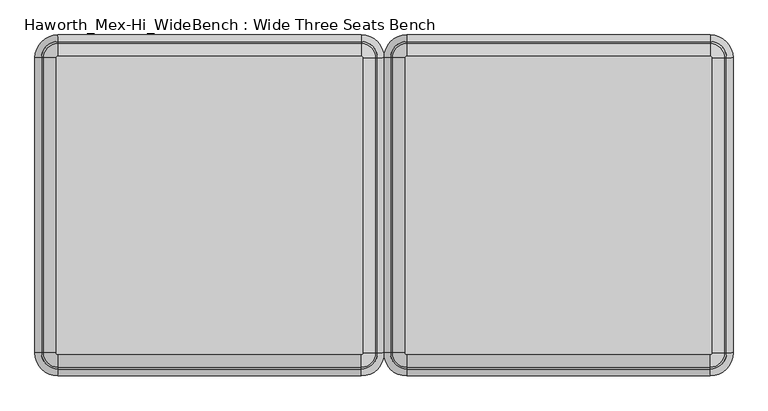
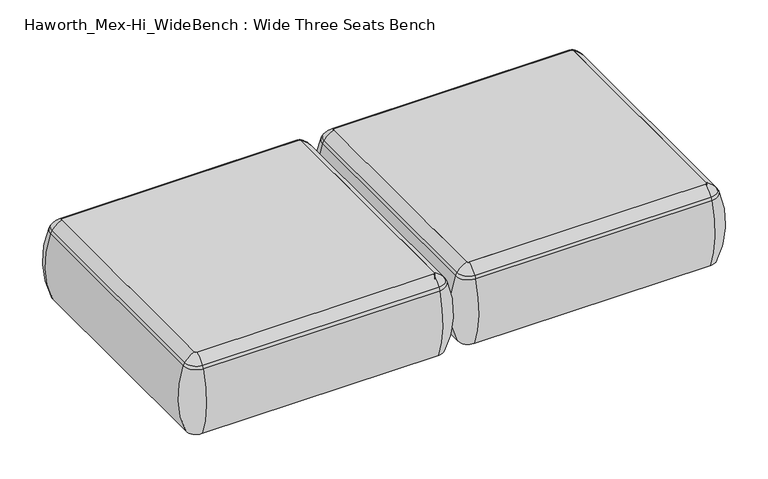
"""IFC4 building model written with IfcOpenShell, lengths in millimetres: furniture geometry, Haworth_Mex-Hi_WideBench : Wide Three Seats Bench."""

import ifcopenshell
import ifcopenshell.guid

model = None  # the IFC model being written
_history = None  # IfcOwnerHistory: only IFC2X3 demands one
_inside = {}  # id of a spatial element -> (the spatial element, [elements in it])
_under = {}  # id of a project, library or spatial element -> (it, [spatial elements below it])
_declared = {}  # id of a project -> (the project, [libraries it declares])
_typed = {}  # id of a type object -> (the type object, [elements of that type])
_made_of = {}  # id of a material, layer set ... -> (it, [elements and type objects made of it])


def new_model(schema):
    """Start an empty IFC model of exactly this schema.

    Asked for "IFC4X3", IfcOpenShell would pick the latest addendum, in which some entities
    have other attributes; the version numbers below select the first issue.
    IFC2X3 requires an IfcOwnerHistory on every rooted entity: one is made here for all.
    """
    global model, _history
    if schema == "IFC4X3":
        model = ifcopenshell.file(schema_version=(4, 3, 0, 0))
    else:
        model = ifcopenshell.file(schema=schema)
    _inside.clear()
    _under.clear()
    _declared.clear()
    _typed.clear()
    _made_of.clear()
    _history = None
    if model.schema == "IFC2X3":
        org = make("IfcOrganization", Name="unknown")
        user = make(
            "IfcPersonAndOrganization",
            ThePerson=make("IfcPerson", FamilyName="unknown"),
            TheOrganization=org,
        )
        app = make(
            "IfcApplication",
            ApplicationDeveloper=org,
            Version="unknown",
            ApplicationFullName="unknown",
            ApplicationIdentifier="unknown",
        )
        _history = make(
            "IfcOwnerHistory",
            OwningUser=user,
            OwningApplication=app,
            ChangeAction="ADDED",
            CreationDate=0,
        )
    return model


def make(cls, **values):
    """One entity of the class cls with the attributes given. An attribute that is None is left unset."""
    return model.create_entity(
        cls, **{name: value for name, value in values.items() if value is not None}
    )


def rooted(cls, **values):
    """An entity with a GlobalId (a new one), such as an element, a storey or a relation."""
    return make(cls, GlobalId=ifcopenshell.guid.new(), OwnerHistory=_history, **values)


def si_unit(unit_type, name, prefix=None):
    """IfcSIUnit, for example si_unit("LENGTHUNIT", "METRE", prefix="MILLI")."""
    return make("IfcSIUnit", UnitType=unit_type, Prefix=prefix, Name=name)


def assignment(units):
    """IfcUnitAssignment: the units of a project."""
    return None if units is None else make("IfcUnitAssignment", Units=units)


def point(xyz):
    """IfcCartesianPoint."""
    return None if xyz is None else make("IfcCartesianPoint", Coordinates=xyz)


def direction(xyz):
    """IfcDirection."""
    return None if xyz is None else make("IfcDirection", DirectionRatios=xyz)


def frame(location, z_axis=None, x_axis=None):
    """IfcAxis2Placement3D, a coordinate frame: its origin and axes. An axis left out is left unset."""
    return make(
        "IfcAxis2Placement3D",
        Location=point(location),
        Axis=direction(z_axis),
        RefDirection=direction(x_axis),
    )


def frame_2d(location, x_axis=None):
    """IfcAxis2Placement2D, a coordinate frame in the plane: its origin and x axis."""
    return make(
        "IfcAxis2Placement2D", Location=point(location), RefDirection=direction(x_axis)
    )


def origin():
    """The frame at (0, 0, 0) with its axes left unset."""
    return frame((0.0, 0.0, 0.0))


def place(relative_to, where):
    """IfcLocalPlacement: puts the frame where relative to a parent placement (None: the world)."""
    return make(
        "IfcLocalPlacement", PlacementRelTo=relative_to, RelativePlacement=where
    )


def context(
    kind, dimensions, precision=None, world=None, true_north=None, identifier=None
):
    """IfcGeometricRepresentationContext, for example the 3D "Model" context."""
    return make(
        "IfcGeometricRepresentationContext",
        ContextIdentifier=identifier,
        ContextType=kind,
        CoordinateSpaceDimension=dimensions,
        Precision=precision,
        WorldCoordinateSystem=world,
        TrueNorth=true_north,
    )


def project(units=None, contexts=None):
    """IfcProject with its units and contexts."""
    return rooted(
        "IfcProject",
        Name="project",
        RepresentationContexts=contexts,
        UnitsInContext=assignment(units),
    )


def spatial(cls, under=None, at=None, **own):
    """A site, building, storey or space (cls), placed at a placement, below another one or the project."""
    s = rooted(cls, ObjectPlacement=at, **own)
    if under is not None:
        _under.setdefault(under.id(), (under, []))[1].append(s)
    return s


def polyline(points):
    """IfcPolyline through the points."""
    return make("IfcPolyline", Points=[point(p) for p in points])


def circle_curve(where, radius):
    """IfcCircle in the frame where."""
    return make("IfcCircle", Position=where, Radius=radius)


def ellipse_curve(where, semi_axis1, semi_axis2):
    """IfcEllipse in the frame where."""
    return make(
        "IfcEllipse", Position=where, SemiAxis1=semi_axis1, SemiAxis2=semi_axis2
    )


def trimmed(basis, trim1, trim2, sense, master):
    """IfcTrimmedCurve: the piece of a basis curve between two trims."""
    return make(
        "IfcTrimmedCurve",
        BasisCurve=basis,
        Trim1=trim1,
        Trim2=trim2,
        SenseAgreement=sense,
        MasterRepresentation=master,
    )


def segment(curve, same_sense, transition):
    """IfcCompositeCurveSegment."""
    return make(
        "IfcCompositeCurveSegment",
        Transition=transition,
        SameSense=same_sense,
        ParentCurve=curve,
    )


def composite_curve(segments, self_intersect=None):
    """IfcCompositeCurve: segments joined end to end."""
    return make("IfcCompositeCurve", Segments=segments, SelfIntersect=self_intersect)


def outline(outer, holes=None, kind="AREA"):
    """IfcArbitraryClosedProfileDef: a profile drawn as a closed curve; with holes, ...WithVoids."""
    if holes is None:
        return make("IfcArbitraryClosedProfileDef", ProfileType=kind, OuterCurve=outer)
    return make(
        "IfcArbitraryProfileDefWithVoids",
        ProfileType=kind,
        OuterCurve=outer,
        InnerCurves=holes,
    )


def extrude(swept, where, along, depth):
    """IfcExtrudedAreaSolid: the profile swept, set in the frame where, extruded along a direction by depth."""
    return make(
        "IfcExtrudedAreaSolid",
        SweptArea=swept,
        Position=where,
        ExtrudedDirection=direction(along),
        Depth=depth,
    )


def shape(context_of_items, identifier, shape_type, items):
    """IfcShapeRepresentation: the items that make up one representation, for example the "Body"."""
    return make(
        "IfcShapeRepresentation",
        ContextOfItems=context_of_items,
        RepresentationIdentifier=identifier,
        RepresentationType=shape_type,
        Items=items,
    )


def source(mapping_origin, context_of_items, identifier, shape_type, items):
    """IfcRepresentationMap: a shape defined once, which mapped items show again and again."""
    return make(
        "IfcRepresentationMap",
        MappingOrigin=mapping_origin,
        MappedRepresentation=shape(context_of_items, identifier, shape_type, items),
    )


def transform(
    local_origin,
    x_axis=None,
    y_axis=None,
    z_axis=None,
    scale=None,
    scale2=None,
    scale3=None,
    uniform=True,
):
    """IfcCartesianTransformationOperator3D, or its non-uniform kind. x_axis, y_axis, z_axis: its Axis1, 2, 3."""
    if uniform:
        return make(
            "IfcCartesianTransformationOperator3D",
            Axis1=direction(x_axis),
            Axis2=direction(y_axis),
            LocalOrigin=point(local_origin),
            Scale=scale,
            Axis3=direction(z_axis),
        )
    return make(
        "IfcCartesianTransformationOperator3DnonUniform",
        Axis1=direction(x_axis),
        Axis2=direction(y_axis),
        LocalOrigin=point(local_origin),
        Scale=scale,
        Axis3=direction(z_axis),
        Scale2=scale2,
        Scale3=scale3,
    )


def mapped(mapping_source, mapping_target):
    """IfcMappedItem: shows the shape of a source again, moved by a transform."""
    return make(
        "IfcMappedItem", MappingSource=mapping_source, MappingTarget=mapping_target
    )


def made_of(thing, what):
    """Note that an element or type object is made of a material, layer set ...; save() writes the relation."""
    if what is not None:
        _made_of.setdefault(what.id(), (what, []))[1].append(thing)
    return thing


def element(
    cls,
    number,
    at=None,
    inside=None,
    cuts=None,
    type_object=None,
    material=None,
    context=None,
    identifier="Body",
    shape_type=None,
    held_by="IfcProductDefinitionShape",
    body=None,
    shapes=None,
    **own,
):
    """One element of the class cls, such as IfcWall. Its Tag is "e" and its number.

    at: its placement. inside: the storey or other place that contains it. cuts: it is an
    opening in that element (IfcRelVoidsElement). A single representation is given by context,
    identifier, shape_type and body (its items); several are given by shapes. held_by: the class
    of the entity that holds the representations. save() writes the other relations.
    """
    e = rooted(cls, Tag="e%d" % number, ObjectPlacement=at, **own)
    if body is not None:
        shapes = [shape(context, identifier, shape_type, body)]
    if shapes is not None:
        e.Representation = make(held_by, Representations=shapes)
    if inside is not None:
        _inside.setdefault(inside.id(), (inside, []))[1].append(e)
    if cuts is not None:
        rooted(
            "IfcRelVoidsElement", RelatingBuildingElement=cuts, RelatedOpeningElement=e
        )
    if type_object is not None:
        _typed.setdefault(type_object.id(), (type_object, []))[1].append(e)
    return made_of(e, material)


def aggregate(whole, parts):
    """IfcRelAggregates: a whole, such as a stair, and the parts it consists of."""
    return rooted("IfcRelAggregates", RelatingObject=whole, RelatedObjects=parts)


def save(model, path):
    """Write the relations noted so far, then the file.

    IfcRelAggregates (storeys below a building ...), IfcRelContainedInSpatialStructure (elements
    in a storey), IfcRelDefinesByType, IfcRelAssociatesMaterial and IfcRelDeclares: one each for
    every whole, place, type object, material and project.
    """
    for whole, parts in _under.values():
        aggregate(whole, parts)
    for where, things in _inside.values():
        rooted(
            "IfcRelContainedInSpatialStructure",
            RelatedElements=things,
            RelatingStructure=where,
        )
    for kind, things in _typed.values():
        rooted("IfcRelDefinesByType", RelatedObjects=things, RelatingType=kind)
    for what, things in _made_of.values():
        rooted("IfcRelAssociatesMaterial", RelatedObjects=things, RelatingMaterial=what)
    for by, libraries in _declared.values():
        rooted("IfcRelDeclares", RelatingContext=by, RelatedDefinitions=libraries)
    model.write(path)


def plane_surface(at):
    """IfcPlane: the flat surface through the origin of the frame at, square to its z axis."""
    return make("IfcPlane", Position=at)


def cylinder_surface(at, radius):
    """IfcCylindricalSurface: all points at the distance radius from the z axis of the frame at."""
    return make("IfcCylindricalSurface", Position=at, Radius=radius)


def revolved_surface(curve, axis_point, axis_direction):
    """IfcSurfaceOfRevolution: the curve turned about the line through axis_point along axis_direction."""
    return make(
        "IfcSurfaceOfRevolution",
        SweptCurve=make("IfcArbitraryOpenProfileDef", ProfileType="CURVE", Curve=curve),
        AxisPosition=make("IfcAxis1Placement", Location=point(axis_point), Axis=direction(axis_direction)),
    )


def advanced_brep(points, edges, surfaces, faces):
    """IfcAdvancedBrep: a solid bounded by faces that lie on surfaces and meet in shared edges.

    An edge is (start, end): straight between two places in points (the first is 0);
    or (start, end, curve); or (start, end, curve, False) where it runs against its curve.
    A face is (place in surfaces, loops), or (place, loops, False) where it looks against
    its surface's normal. A loop lists edges by number (the first is 1), with a minus sign
    where the edge is run from its end to its start. The first loop is the outer one.
    """
    corners = [point(p) for p in points]
    vertices = [make("IfcVertexPoint", VertexGeometry=c) for c in corners]
    made = []
    for start, end, *more in edges:
        made.append(
            make(
                "IfcEdgeCurve",
                EdgeStart=vertices[start],
                EdgeEnd=vertices[end],
                EdgeGeometry=more[0] if more else make("IfcPolyline", Points=[corners[start], corners[end]]),
                SameSense=more[1] if len(more) > 1 else True,
            )
        )
    hull = []
    for where, loops, *sense in faces:
        bounds = []
        for j, loop in enumerate(loops):
            ring = [make("IfcOrientedEdge", EdgeElement=made[abs(k) - 1], Orientation=k > 0) for k in loop]
            bounds.append(
                make(
                    "IfcFaceOuterBound" if j == 0 else "IfcFaceBound",
                    Bound=make("IfcEdgeLoop", EdgeList=ring),
                    Orientation=True,
                )
            )
        hull.append(make("IfcAdvancedFace", Bounds=bounds, FaceSurface=surfaces[where], SameSense=sense[0] if sense else True))
    return make("IfcAdvancedBrep", Outer=make("IfcClosedShell", CfsFaces=hull))


def haworth_mex_hi_widebench_wide_three_seats_bench_50f80e53(model_context):
    return source(origin(), model_context, "Body", "SolidModel", [
        advanced_brep(
        [(-550.6150954, -668.4794123, 390.3914007), (-545.3352882, -673.7592195, 390.3914007), (-545.3352882, -673.7592195, 123.9999984), (-550.6150954, -668.4794123, 123.9999984), (-579.3031396, -668.4794123, 123.9999984), (-545.3352882, -702.4472637, 123.9999984), (-545.3352882, -710.1267287, 353.7769053), (-586.9826046, -668.4794123, 353.7769053), (-550.6150954, 89.8571486, 123.9999984), (-550.6150954, 89.8571486, 390.3914007), (-586.9826046, 89.8571486, 353.7769053), (-579.3031396, 89.8571486, 123.9999984), (-545.3352882, 95.1369558, 390.3914007), (-545.3352882, 95.1369558, 123.9999984), (-545.3352882, 123.825, 123.9999984), (-545.3352882, 131.504465, 353.7769053), (234.4447118, 95.1369558, 123.9999984), (234.4447118, 95.1369558, 390.3914007), (234.4447118, 131.504465, 353.7769053), (234.4447118, 123.825, 123.9999984), (239.7245191, 89.8571486, 390.3914007), (239.7245191, 89.8571486, 123.9999984), (268.4125633, 89.8571486, 123.9999984), (276.0920283, 89.8571486, 353.7769053), (239.7245191, -668.4794123, 123.9999984), (239.7245191, -668.4794123, 390.3914007), (276.0920283, -668.4794123, 353.7769053), (268.4125633, -668.4794123, 123.9999984), (234.4447118, -673.7592195, 390.3914007), (234.4447118, -673.7592195, 123.9999984), (234.4447118, -702.4472637, 123.9999984), (234.4447118, -710.1267287, 353.7769053), (-581.7641447, -668.4794123, 363.6402875), (-545.3352882, -704.9082688, 363.6402875), (-581.7641447, 89.8571486, 363.6402875), (-545.3352882, 126.2860051, 363.6402875), (234.4447118, 126.2860051, 363.6402875), (270.8735684, 89.8571486, 363.6402875), (270.8735684, -668.4794123, 363.6402875), (234.4447118, -704.9082688, 363.6402875)],
        [
            (0, 1, circle_curve(frame((-545.3352882, -668.4794123, 390.3914007), z_axis=(0.0, 0.0, 1.0), x_axis=(0.0, -1.0, 0.0)), 5.2798073)),
            (1, 2),
            (2, 3, circle_curve(frame((-545.3352882, -668.4794123, 123.9999984), z_axis=(0.0, 0.0, -1.0), x_axis=(0.0, -1.0, 0.0)), 5.2798073)),
            (3, 0),
            (4, 5, circle_curve(frame((-545.3352882, -668.4794123, 123.9999984), z_axis=(0.0, 0.0, 1.0), x_axis=(0.0, -1.0, 0.0)), 33.9678514)),
            (5, 6, circle_curve(frame((-545.3352882, -406.0729797, 248.9220234), z_axis=(-1.0, 0.0, 0.0), x_axis=(0.0, -1.0, 0.0)), 321.625914)),
            (6, 7, circle_curve(frame((-545.3352882, -668.4794123, 353.7769053), z_axis=(0.0, 0.0, -1.0), x_axis=(0.0, -1.0, 0.0)), 41.6473165)),
            (7, 4, circle_curve(frame((-282.9288556, -668.4794123, 248.9220234), z_axis=(0.0, -1.0, 0.0), x_axis=(-1.0, 0.0, 0.0)), 321.625914)),
            (3, 8),
            (8, 9),
            (9, 0),
            (7, 10),
            (10, 11, circle_curve(frame((-282.9288556, 89.8571486, 248.9220234), z_axis=(0.0, -1.0, 0.0), x_axis=(-1.0, 0.0, 0.0)), 321.625914)),
            (11, 4),
            (12, 9, circle_curve(frame((-545.3352882, 89.8571486, 390.3914007), z_axis=(0.0, 0.0, 1.0), x_axis=(-1.0, 0.0, 0.0)), 5.2798073)),
            (8, 13, circle_curve(frame((-545.3352882, 89.8571486, 123.9999984), z_axis=(0.0, 0.0, -1.0), x_axis=(-1.0, 0.0, 0.0)), 5.2798073)),
            (13, 12),
            (14, 11, circle_curve(frame((-545.3352882, 89.8571486, 123.9999984), z_axis=(0.0, 0.0, 1.0), x_axis=(-1.0, 0.0, 0.0)), 33.9678514)),
            (10, 15, circle_curve(frame((-545.3352882, 89.8571486, 353.7769053), z_axis=(0.0, 0.0, -1.0), x_axis=(-1.0, 0.0, 0.0)), 41.6473165)),
            (15, 14, circle_curve(frame((-545.3352882, -172.549284, 248.9220234), z_axis=(-1.0, 0.0, 0.0), x_axis=(0.0, 1.0, 0.0)), 321.625914)),
            (13, 16),
            (16, 17),
            (17, 12),
            (15, 18),
            (18, 19, circle_curve(frame((234.4447118, -172.549284, 248.9220234), z_axis=(-1.0, 0.0, 0.0), x_axis=(0.0, 1.0, 0.0)), 321.625914)),
            (19, 14),
            (20, 17, circle_curve(frame((234.4447118, 89.8571486, 390.3914007), z_axis=(0.0, 0.0, 1.0), x_axis=(0.0, 1.0, 0.0)), 5.2798073)),
            (16, 21, circle_curve(frame((234.4447118, 89.8571486, 123.9999984), z_axis=(0.0, 0.0, -1.0), x_axis=(0.0, 1.0, 0.0)), 5.2798073)),
            (21, 20),
            (22, 19, circle_curve(frame((234.4447118, 89.8571486, 123.9999984), z_axis=(0.0, 0.0, 1.0), x_axis=(0.0, 1.0, 0.0)), 33.9678514)),
            (18, 23, circle_curve(frame((234.4447118, 89.8571486, 353.7769053), z_axis=(0.0, 0.0, -1.0), x_axis=(0.0, 1.0, 0.0)), 41.6473165)),
            (23, 22, circle_curve(frame((-27.9617207, 89.8571486, 248.9220234), z_axis=(0.0, 1.0, 0.0), x_axis=(1.0, 0.0, 0.0)), 321.625914)),
            (21, 24),
            (24, 25),
            (25, 20),
            (23, 26),
            (26, 27, circle_curve(frame((-27.9617207, -668.4794123, 248.9220234), z_axis=(0.0, 1.0, 0.0), x_axis=(1.0, 0.0, 0.0)), 321.625914)),
            (27, 22),
            (28, 25, circle_curve(frame((234.4447118, -668.4794123, 390.3914007), z_axis=(0.0, 0.0, 1.0), x_axis=(1.0, 0.0, 0.0)), 5.2798073)),
            (24, 29, circle_curve(frame((234.4447118, -668.4794123, 123.9999984), z_axis=(0.0, 0.0, -1.0), x_axis=(1.0, 0.0, 0.0)), 5.2798073)),
            (29, 28),
            (30, 27, circle_curve(frame((234.4447118, -668.4794123, 123.9999984), z_axis=(0.0, 0.0, 1.0), x_axis=(1.0, 0.0, 0.0)), 33.9678514)),
            (26, 31, circle_curve(frame((234.4447118, -668.4794123, 353.7769053), z_axis=(0.0, 0.0, -1.0), x_axis=(1.0, 0.0, 0.0)), 41.6473165)),
            (31, 30, circle_curve(frame((234.4447118, -406.0729797, 248.9220234), z_axis=(1.0, 0.0, 0.0), x_axis=(0.0, -1.0, 0.0)), 321.625914)),
            (30, 5),
            (2, 29),
            (1, 28),
            (31, 6),
            (32, 33, circle_curve(frame((-545.3352882, -668.4794123, 363.6402875), z_axis=(0.0, 0.0, 1.0), x_axis=(0.0, -1.0, 0.0)), 36.4288566)),
            (33, 1, circle_curve(frame((-545.3352882, -629.5266, 307.3762868), z_axis=(-1.0, 0.0, 0.0), x_axis=(0.0, -1.0, 0.0)), 94.0639876)),
            (0, 32, circle_curve(frame((-506.3824759, -668.4794123, 307.3762868), z_axis=(0.0, -1.0, 0.0), x_axis=(-1.0, 0.0, 0.0)), 94.0639876)),
            (6, 33, circle_curve(frame((-545.3352882, -675.8620096, 341.9604975), z_axis=(-1.0, 0.0, 0.0), x_axis=(0.0, -1.0, 0.0)), 36.2449785)),
            (32, 7, circle_curve(frame((-552.7178855, -668.4794123, 341.9604975), z_axis=(0.0, -1.0, 0.0), x_axis=(-1.0, 0.0, 0.0)), 36.2449785)),
            (9, 34, circle_curve(frame((-506.3824759, 89.8571486, 307.3762868), z_axis=(0.0, -1.0, 0.0), x_axis=(-1.0, 0.0, 0.0)), 94.0639876)),
            (34, 32),
            (34, 10, circle_curve(frame((-552.7178855, 89.8571486, 341.9604975), z_axis=(0.0, -1.0, 0.0), x_axis=(-1.0, 0.0, 0.0)), 36.2449785)),
            (35, 34, circle_curve(frame((-545.3352882, 89.8571486, 363.6402875), z_axis=(0.0, 0.0, 1.0), x_axis=(-1.0, 0.0, 0.0)), 36.4288566)),
            (12, 35, circle_curve(frame((-545.3352882, 50.9043363, 307.3762868), z_axis=(-1.0, 0.0, 0.0), x_axis=(0.0, 1.0, 0.0)), 94.0639876)),
            (35, 15, circle_curve(frame((-545.3352882, 97.2397459, 341.9604975), z_axis=(-1.0, 0.0, 0.0), x_axis=(0.0, 1.0, 0.0)), 36.2449785)),
            (17, 36, circle_curve(frame((234.4447118, 50.9043363, 307.3762868), z_axis=(-1.0, 0.0, 0.0), x_axis=(0.0, 1.0, 0.0)), 94.0639876)),
            (36, 35),
            (36, 18, circle_curve(frame((234.4447118, 97.2397459, 341.9604975), z_axis=(-1.0, 0.0, 0.0), x_axis=(0.0, 1.0, 0.0)), 36.2449785)),
            (37, 36, circle_curve(frame((234.4447118, 89.8571486, 363.6402875), z_axis=(0.0, 0.0, 1.0), x_axis=(0.0, 1.0, 0.0)), 36.4288566)),
            (20, 37, circle_curve(frame((195.4918996, 89.8571486, 307.3762868), z_axis=(0.0, 1.0, 0.0), x_axis=(1.0, 0.0, 0.0)), 94.0639876)),
            (37, 23, circle_curve(frame((241.8273092, 89.8571486, 341.9604975), z_axis=(0.0, 1.0, 0.0), x_axis=(1.0, 0.0, 0.0)), 36.2449785)),
            (25, 38, circle_curve(frame((195.4918996, -668.4794123, 307.3762868), z_axis=(0.0, 1.0, 0.0), x_axis=(1.0, 0.0, 0.0)), 94.0639876)),
            (38, 37),
            (38, 26, circle_curve(frame((241.8273092, -668.4794123, 341.9604975), z_axis=(0.0, 1.0, 0.0), x_axis=(1.0, 0.0, 0.0)), 36.2449785)),
            (39, 38, circle_curve(frame((234.4447118, -668.4794123, 363.6402875), z_axis=(0.0, 0.0, 1.0), x_axis=(1.0, 0.0, 0.0)), 36.4288566)),
            (28, 39, circle_curve(frame((234.4447118, -629.5266, 307.3762868), z_axis=(1.0, 0.0, 0.0), x_axis=(0.0, -1.0, 0.0)), 94.0639876)),
            (39, 31, circle_curve(frame((234.4447118, -675.8620096, 341.9604975), z_axis=(1.0, 0.0, 0.0), x_axis=(0.0, -1.0, 0.0)), 36.2449785)),
            (33, 39),
        ],
        [
            revolved_surface(polyline([(-545.3352882, -673.7592196, 123.9999984), (-545.3352882, -673.7592196, 390.3914007)]), (-545.3352882, -668.4794123, 0.0), (0.0, 0.0, -1.0)),
            revolved_surface(trimmed(ellipse_curve(frame((-545.3352882, -406.0729797, 248.9220234), z_axis=(1.0, 0.0, 0.0), x_axis=(0.0, -1.0, 0.0)), 321.625914, 321.625914), [point((-545.3352882, -710.1267287, 353.7769053))], [point((-545.3352882, -702.4472637, 123.9999984))], True, "CARTESIAN"), (-545.3352882, -668.4794123, 0.0), (0.0, 0.0, -1.0)),
            plane_surface(frame((-550.6150954, -668.4794123, 123.9999984), z_axis=(1.0, 0.0, 0.0), x_axis=(0.0, 1.0, 0.0))),
            cylinder_surface(frame((-282.9288556, -668.4794123, 248.9220234), z_axis=(0.0, -1.0, 0.0), x_axis=(-1.0, 0.0, 0.0)), 321.625914),
            revolved_surface(polyline([(-550.6150955, 89.8571486, 123.9999984), (-550.6150955, 89.8571486, 390.3914007)]), (-545.3352882, 89.8571486, 0.0), (0.0, 0.0, -1.0)),
            revolved_surface(trimmed(ellipse_curve(frame((-282.9288556, 89.8571486, 248.9220234), z_axis=(0.0, -1.0, 0.0), x_axis=(-1.0, 0.0, 0.0)), 321.625914, 321.625914), [point((-586.9826046, 89.8571486, 353.7769053))], [point((-579.3031396, 89.8571486, 123.9999984))], True, "CARTESIAN"), (-545.3352882, 89.8571486, 0.0), (0.0, 0.0, -1.0)),
            plane_surface(frame((-545.3352882, 95.1369558, 123.9999984), z_axis=(0.0, -1.0, 0.0), x_axis=(1.0, 0.0, 0.0))),
            cylinder_surface(frame((-545.3352882, -172.549284, 248.9220234), z_axis=(-1.0, 0.0, 0.0), x_axis=(0.0, 1.0, 0.0)), 321.625914),
            revolved_surface(polyline([(234.4447118, 95.1369559, 123.9999984), (234.4447118, 95.1369559, 390.3914007)]), (234.4447118, 89.8571486, 0.0), (0.0, 0.0, -1.0)),
            revolved_surface(trimmed(ellipse_curve(frame((234.4447118, -172.549284, 248.9220234), z_axis=(-1.0, 0.0, 0.0), x_axis=(0.0, 1.0, 0.0)), 321.625914, 321.625914), [point((234.4447118, 131.504465, 353.7769053))], [point((234.4447118, 123.825, 123.9999984))], True, "CARTESIAN"), (234.4447118, 89.8571486, 0.0), (0.0, 0.0, -1.0)),
            plane_surface(frame((239.7245191, 89.8571486, 123.9999984), z_axis=(-1.0, 0.0, 0.0), x_axis=(0.0, -1.0, 0.0))),
            cylinder_surface(frame((-27.9617207, 89.8571486, 248.9220234), z_axis=(0.0, 1.0, 0.0), x_axis=(1.0, 0.0, 0.0)), 321.625914),
            revolved_surface(polyline([(239.72451909999998, -668.4794123, 123.9999984), (239.72451909999998, -668.4794123, 390.3914007)]), (234.4447118, -668.4794123, 0.0), (0.0, 0.0, -1.0)),
            revolved_surface(trimmed(ellipse_curve(frame((-27.9617207, -668.4794123, 248.9220234), z_axis=(0.0, 1.0, 0.0), x_axis=(1.0, 0.0, 0.0)), 321.625914, 321.625914), [point((276.0920283, -668.4794123, 353.7769053))], [point((268.4125633, -668.4794123, 123.9999984))], True, "CARTESIAN"), (234.4447118, -668.4794123, 0.0), (0.0, 0.0, -1.0)),
            plane_surface(frame((234.4447118, -702.4472637, 123.9999984), z_axis=(0.0, 0.0, -1.0), x_axis=(-1.0, 0.0, 0.0))),
            plane_surface(frame((234.4447118, -673.7592195, 123.9999984), z_axis=(0.0, 1.0, 0.0), x_axis=(-1.0, 0.0, 0.0))),
            cylinder_surface(frame((234.4447118, -406.0729797, 248.9220234), z_axis=(1.0, 0.0, 0.0), x_axis=(0.0, -1.0, 0.0)), 321.625914),
            revolved_surface(trimmed(ellipse_curve(frame((-545.3352882, -629.5266, 307.3762868), z_axis=(1.0, 0.0, 0.0), x_axis=(0.0, -1.0, 0.0)), 94.0639876, 94.0639876), [point((-545.3352882, -673.7592195, 390.3914007))], [point((-545.3352882, -704.9082688, 363.6402875))], True, "CARTESIAN"), (-545.3352882, -668.4794123, 0.0), (0.0, 0.0, -1.0)),
            revolved_surface(trimmed(ellipse_curve(frame((-545.3352882, -675.8620096, 341.9604975), z_axis=(1.0, 0.0, 0.0), x_axis=(0.0, -1.0, 0.0)), 36.2449785, 36.2449785), [point((-545.3352882, -704.9082688, 363.6402875))], [point((-545.3352882, -710.1267287, 353.7769053))], True, "CARTESIAN"), (-545.3352882, -668.4794123, 0.0), (0.0, 0.0, -1.0)),
            cylinder_surface(frame((-506.3824759, -668.4794123, 307.3762868), z_axis=(0.0, -1.0, 0.0), x_axis=(-1.0, 0.0, 0.0)), 94.0639876),
            cylinder_surface(frame((-552.7178855, -668.4794123, 341.9604975), z_axis=(0.0, -1.0, 0.0), x_axis=(-1.0, 0.0, 0.0)), 36.2449785),
            revolved_surface(trimmed(ellipse_curve(frame((-506.3824759, 89.8571486, 307.3762868), z_axis=(0.0, -1.0, 0.0), x_axis=(-1.0, 0.0, 0.0)), 94.0639876, 94.0639876), [point((-550.6150954, 89.8571486, 390.3914007))], [point((-581.7641447, 89.8571486, 363.6402875))], True, "CARTESIAN"), (-545.3352882, 89.8571486, 0.0), (0.0, 0.0, -1.0)),
            revolved_surface(trimmed(ellipse_curve(frame((-552.7178855, 89.8571486, 341.9604975), z_axis=(0.0, -1.0, 0.0), x_axis=(-1.0, 0.0, 0.0)), 36.2449785, 36.2449785), [point((-581.7641447, 89.8571486, 363.6402875))], [point((-586.9826046, 89.8571486, 353.7769053))], True, "CARTESIAN"), (-545.3352882, 89.8571486, 0.0), (0.0, 0.0, -1.0)),
            cylinder_surface(frame((-545.3352882, 50.9043363, 307.3762868), z_axis=(-1.0, 0.0, 0.0), x_axis=(0.0, 1.0, 0.0)), 94.0639876),
            cylinder_surface(frame((-545.3352882, 97.2397459, 341.9604975), z_axis=(-1.0, 0.0, 0.0), x_axis=(0.0, 1.0, 0.0)), 36.2449785),
            revolved_surface(trimmed(ellipse_curve(frame((234.4447118, 50.9043363, 307.3762868), z_axis=(-1.0, 0.0, 0.0), x_axis=(0.0, 1.0, 0.0)), 94.0639876, 94.0639876), [point((234.4447118, 95.1369558, 390.3914007))], [point((234.4447118, 126.2860051, 363.6402875))], True, "CARTESIAN"), (234.4447118, 89.8571486, 0.0), (0.0, 0.0, -1.0)),
            revolved_surface(trimmed(ellipse_curve(frame((234.4447118, 97.2397459, 341.9604975), z_axis=(-1.0, 0.0, 0.0), x_axis=(0.0, 1.0, 0.0)), 36.2449785, 36.2449785), [point((234.4447118, 126.2860051, 363.6402875))], [point((234.4447118, 131.504465, 353.7769053))], True, "CARTESIAN"), (234.4447118, 89.8571486, 0.0), (0.0, 0.0, -1.0)),
            cylinder_surface(frame((195.4918996, 89.8571486, 307.3762868), z_axis=(0.0, 1.0, 0.0), x_axis=(1.0, 0.0, 0.0)), 94.0639876),
            cylinder_surface(frame((241.8273092, 89.8571486, 341.9604975), z_axis=(0.0, 1.0, 0.0), x_axis=(1.0, 0.0, 0.0)), 36.2449785),
            revolved_surface(trimmed(ellipse_curve(frame((195.4918996, -668.4794123, 307.3762868), z_axis=(0.0, 1.0, 0.0), x_axis=(1.0, 0.0, 0.0)), 94.0639876, 94.0639876), [point((239.7245191, -668.4794123, 390.3914007))], [point((270.8735684, -668.4794123, 363.6402875))], True, "CARTESIAN"), (234.4447118, -668.4794123, 0.0), (0.0, 0.0, -1.0)),
            revolved_surface(trimmed(ellipse_curve(frame((241.8273092, -668.4794123, 341.9604975), z_axis=(0.0, 1.0, 0.0), x_axis=(1.0, 0.0, 0.0)), 36.2449785, 36.2449785), [point((270.8735684, -668.4794123, 363.6402875))], [point((276.0920283, -668.4794123, 353.7769053))], True, "CARTESIAN"), (234.4447118, -668.4794123, 0.0), (0.0, 0.0, -1.0)),
            cylinder_surface(frame((234.4447118, -629.5266, 307.3762868), z_axis=(1.0, 0.0, 0.0), x_axis=(0.0, -1.0, 0.0)), 94.0639876),
            cylinder_surface(frame((234.4447118, -675.8620096, 341.9604975), z_axis=(1.0, 0.0, 0.0), x_axis=(0.0, -1.0, 0.0)), 36.2449785),
        ],
        [
            (0, [[1, 2, 3, 4]]),
            (1, [[5, 6, 7, 8]]),
            (2, [[-4, 9, 10, 11]]),
            (3, [[-8, 12, 13, 14]]),
            (4, [[15, -10, 16, 17]]),
            (5, [[18, -13, 19, 20]]),
            (6, [[-17, 21, 22, 23]]),
            (7, [[-20, 24, 25, 26]]),
            (8, [[27, -22, 28, 29]]),
            (9, [[30, -25, 31, 32]]),
            (10, [[-29, 33, 34, 35]]),
            (11, [[-32, 36, 37, 38]]),
            (12, [[39, -34, 40, 41]]),
            (13, [[42, -37, 43, 44]]),
            (14, [[-38, -42, 45, -5, -14, -18, -26, -30], [46, -40, -33, -28, -21, -16, -9, -3]]),
            (15, [[-41, -46, -2, 47]]),
            (16, [[-44, 48, -6, -45]]),
            (17, [[49, 50, -1, 51]]),
            (18, [[-7, 52, -49, 53]]),
            (19, [[-51, -11, 54, 55]]),
            (20, [[-53, -55, 56, -12]]),
            (21, [[57, -54, -15, 58]]),
            (22, [[-19, -56, -57, 59]]),
            (23, [[-58, -23, 60, 61]]),
            (24, [[-59, -61, 62, -24]]),
            (25, [[63, -60, -27, 64]]),
            (26, [[-31, -62, -63, 65]]),
            (27, [[-64, -35, 66, 67]]),
            (28, [[-65, -67, 68, -36]]),
            (29, [[69, -66, -39, 70]]),
            (30, [[-43, -68, -69, 71]]),
            (31, [[-70, -47, -50, 72]]),
            (32, [[-71, -72, -52, -48]]),
        ],
    ),
        extrude(outline(composite_curve([segment(trimmed(circle_curve(frame_2d((234.4447118, -668.4794123)), 5.2798073), [point((239.7245191, -668.4794123))], [point((234.4447118, -673.7592195))], False, "CARTESIAN"), True, "CONTINUOUS"), segment(polyline([(234.4447118, -673.7592195), (-545.3352882, -673.7592195)]), True, "CONTINUOUS"), segment(trimmed(circle_curve(frame_2d((-545.3352882, -668.4794123)), 5.2798073), [point((-545.3352882, -673.7592195))], [point((-550.6150954, -668.4794123))], False, "CARTESIAN"), True, "CONTINUOUS"), segment(polyline([(-550.6150954, -668.4794123), (-550.6150954, 89.8571486)]), True, "CONTINUOUS"), segment(trimmed(circle_curve(frame_2d((-545.3352882, 89.8571486)), 5.2798073), [point((-550.6150954, 89.8571486))], [point((-545.3352882, 95.1369558))], False, "CARTESIAN"), True, "CONTINUOUS"), segment(polyline([(-545.3352882, 95.1369558), (234.4447118, 95.1369558)]), True, "CONTINUOUS"), segment(trimmed(circle_curve(frame_2d((234.4447118, 89.8571486)), 5.2798073), [point((234.4447118, 95.1369558))], [point((239.7245191, 89.8571486))], False, "CARTESIAN"), True, "CONTINUOUS"), segment(polyline([(239.7245191, 89.8571486), (239.7245191, -668.4794123)]), True, "CONTINUOUS")], self_intersect=False)), frame((0.0, 0.0, 123.9999984), z_axis=(0.0, 0.0, 1.0), x_axis=(1.0, 0.0, 0.0)), (0.0, 0.0, 1.0), 266.3914023),
        advanced_brep(
        [(346.0148265, -668.4794123, 390.3914007), (351.2946337, -673.7592195, 390.3914007), (351.2946337, -673.7592195, 123.9999984), (346.0148265, -668.4794123, 123.9999984), (317.3267823, -668.4794123, 123.9999984), (351.2946337, -702.4472637, 123.9999984), (351.2946337, -710.1267287, 353.7769053), (309.6473173, -668.4794123, 353.7769053), (346.0148265, 89.8571486, 123.9999984), (346.0148265, 89.8571486, 390.3914007), (309.6473173, 89.8571486, 353.7769053), (317.3267823, 89.8571486, 123.9999984), (351.2946337, 95.1369558, 390.3914007), (351.2946337, 95.1369558, 123.9999984), (351.2946337, 123.825, 123.9999984), (351.2946337, 131.504465, 353.7769053), (1131.0746337, 95.1369558, 123.9999984), (1131.0746337, 95.1369558, 390.3914007), (1131.0746337, 131.504465, 353.7769053), (1131.0746337, 123.825, 123.9999984), (1136.354441, 89.8571486, 390.3914007), (1136.354441, 89.8571486, 123.9999984), (1165.0424852, 89.8571486, 123.9999984), (1172.7219502, 89.8571486, 353.7769053), (1136.354441, -668.4794123, 123.9999984), (1136.354441, -668.4794123, 390.3914007), (1172.7219502, -668.4794123, 353.7769053), (1165.0424852, -668.4794123, 123.9999984), (1131.0746337, -673.7592195, 390.3914007), (1131.0746337, -673.7592195, 123.9999984), (1131.0746337, -702.4472637, 123.9999984), (1131.0746337, -710.1267287, 353.7769053), (314.8657772, -668.4794123, 363.6402875), (351.2946337, -704.9082688, 363.6402875), (314.8657772, 89.8571486, 363.6402875), (351.2946337, 126.2860051, 363.6402875), (1131.0746337, 126.2860051, 363.6402875), (1167.5034903, 89.8571486, 363.6402875), (1167.5034903, -668.4794123, 363.6402875), (1131.0746337, -704.9082688, 363.6402875)],
        [
            (0, 1, circle_curve(frame((351.2946337, -668.4794123, 390.3914007), z_axis=(0.0, 0.0, 1.0), x_axis=(0.0, -1.0, 0.0)), 5.2798073)),
            (1, 2),
            (2, 3, circle_curve(frame((351.2946337, -668.4794123, 123.9999984), z_axis=(0.0, 0.0, -1.0), x_axis=(0.0, -1.0, 0.0)), 5.2798073)),
            (3, 0),
            (4, 5, circle_curve(frame((351.2946337, -668.4794123, 123.9999984), z_axis=(0.0, 0.0, 1.0), x_axis=(0.0, -1.0, 0.0)), 33.9678514)),
            (5, 6, circle_curve(frame((351.2946337, -406.0729797, 248.9220234), z_axis=(-1.0, 0.0, 0.0), x_axis=(0.0, -1.0, 0.0)), 321.625914)),
            (6, 7, circle_curve(frame((351.2946337, -668.4794123, 353.7769053), z_axis=(0.0, 0.0, -1.0), x_axis=(0.0, -1.0, 0.0)), 41.6473165)),
            (7, 4, circle_curve(frame((613.7010663, -668.4794123, 248.9220234), z_axis=(0.0, -1.0, 0.0), x_axis=(-1.0, 0.0, 0.0)), 321.625914)),
            (3, 8),
            (8, 9),
            (9, 0),
            (7, 10),
            (10, 11, circle_curve(frame((613.7010663, 89.8571486, 248.9220234), z_axis=(0.0, -1.0, 0.0), x_axis=(-1.0, 0.0, 0.0)), 321.625914)),
            (11, 4),
            (12, 9, circle_curve(frame((351.2946337, 89.8571486, 390.3914007), z_axis=(0.0, 0.0, 1.0), x_axis=(-1.0, 0.0, 0.0)), 5.2798073)),
            (8, 13, circle_curve(frame((351.2946337, 89.8571486, 123.9999984), z_axis=(0.0, 0.0, -1.0), x_axis=(-1.0, 0.0, 0.0)), 5.2798073)),
            (13, 12),
            (14, 11, circle_curve(frame((351.2946337, 89.8571486, 123.9999984), z_axis=(0.0, 0.0, 1.0), x_axis=(-1.0, 0.0, 0.0)), 33.9678514)),
            (10, 15, circle_curve(frame((351.2946337, 89.8571486, 353.7769053), z_axis=(0.0, 0.0, -1.0), x_axis=(-1.0, 0.0, 0.0)), 41.6473165)),
            (15, 14, circle_curve(frame((351.2946337, -172.549284, 248.9220234), z_axis=(-1.0, 0.0, 0.0), x_axis=(0.0, 1.0, 0.0)), 321.625914)),
            (13, 16),
            (16, 17),
            (17, 12),
            (15, 18),
            (18, 19, circle_curve(frame((1131.0746337, -172.549284, 248.9220234), z_axis=(-1.0, 0.0, 0.0), x_axis=(0.0, 1.0, 0.0)), 321.625914)),
            (19, 14),
            (20, 17, circle_curve(frame((1131.0746337, 89.8571486, 390.3914007), z_axis=(0.0, 0.0, 1.0), x_axis=(0.0, 1.0, 0.0)), 5.2798073)),
            (16, 21, circle_curve(frame((1131.0746337, 89.8571486, 123.9999984), z_axis=(0.0, 0.0, -1.0), x_axis=(0.0, 1.0, 0.0)), 5.2798073)),
            (21, 20),
            (22, 19, circle_curve(frame((1131.0746337, 89.8571486, 123.9999984), z_axis=(0.0, 0.0, 1.0), x_axis=(0.0, 1.0, 0.0)), 33.9678514)),
            (18, 23, circle_curve(frame((1131.0746337, 89.8571486, 353.7769053), z_axis=(0.0, 0.0, -1.0), x_axis=(0.0, 1.0, 0.0)), 41.6473165)),
            (23, 22, circle_curve(frame((868.6682012, 89.8571486, 248.9220234), z_axis=(0.0, 1.0, 0.0), x_axis=(1.0, 0.0, 0.0)), 321.625914)),
            (21, 24),
            (24, 25),
            (25, 20),
            (23, 26),
            (26, 27, circle_curve(frame((868.6682012, -668.4794123, 248.9220234), z_axis=(0.0, 1.0, 0.0), x_axis=(1.0, 0.0, 0.0)), 321.625914)),
            (27, 22),
            (28, 25, circle_curve(frame((1131.0746337, -668.4794123, 390.3914007), z_axis=(0.0, 0.0, 1.0), x_axis=(1.0, 0.0, 0.0)), 5.2798073)),
            (24, 29, circle_curve(frame((1131.0746337, -668.4794123, 123.9999984), z_axis=(0.0, 0.0, -1.0), x_axis=(1.0, 0.0, 0.0)), 5.2798073)),
            (29, 28),
            (30, 27, circle_curve(frame((1131.0746337, -668.4794123, 123.9999984), z_axis=(0.0, 0.0, 1.0), x_axis=(1.0, 0.0, 0.0)), 33.9678514)),
            (26, 31, circle_curve(frame((1131.0746337, -668.4794123, 353.7769053), z_axis=(0.0, 0.0, -1.0), x_axis=(1.0, 0.0, 0.0)), 41.6473165)),
            (31, 30, circle_curve(frame((1131.0746337, -406.0729797, 248.9220234), z_axis=(1.0, 0.0, 0.0), x_axis=(0.0, -1.0, 0.0)), 321.625914)),
            (30, 5),
            (2, 29),
            (1, 28),
            (31, 6),
            (32, 33, circle_curve(frame((351.2946337, -668.4794123, 363.6402875), z_axis=(0.0, 0.0, 1.0), x_axis=(0.0, -1.0, 0.0)), 36.4288566)),
            (33, 1, circle_curve(frame((351.2946337, -629.5266, 307.3762868), z_axis=(-1.0, 0.0, 0.0), x_axis=(0.0, -1.0, 0.0)), 94.0639876)),
            (0, 32, circle_curve(frame((390.247446, -668.4794123, 307.3762868), z_axis=(0.0, -1.0, 0.0), x_axis=(-1.0, 0.0, 0.0)), 94.0639876)),
            (6, 33, circle_curve(frame((351.2946337, -675.8620096, 341.9604975), z_axis=(-1.0, 0.0, 0.0), x_axis=(0.0, -1.0, 0.0)), 36.2449785)),
            (32, 7, circle_curve(frame((343.9120363, -668.4794123, 341.9604975), z_axis=(0.0, -1.0, 0.0), x_axis=(-1.0, 0.0, 0.0)), 36.2449785)),
            (9, 34, circle_curve(frame((390.247446, 89.8571486, 307.3762868), z_axis=(0.0, -1.0, 0.0), x_axis=(-1.0, 0.0, 0.0)), 94.0639876)),
            (34, 32),
            (34, 10, circle_curve(frame((343.9120363, 89.8571486, 341.9604975), z_axis=(0.0, -1.0, 0.0), x_axis=(-1.0, 0.0, 0.0)), 36.2449785)),
            (35, 34, circle_curve(frame((351.2946337, 89.8571486, 363.6402875), z_axis=(0.0, 0.0, 1.0), x_axis=(-1.0, 0.0, 0.0)), 36.4288566)),
            (12, 35, circle_curve(frame((351.2946337, 50.9043363, 307.3762868), z_axis=(-1.0, 0.0, 0.0), x_axis=(0.0, 1.0, 0.0)), 94.0639876)),
            (35, 15, circle_curve(frame((351.2946337, 97.2397459, 341.9604975), z_axis=(-1.0, 0.0, 0.0), x_axis=(0.0, 1.0, 0.0)), 36.2449785)),
            (17, 36, circle_curve(frame((1131.0746337, 50.9043363, 307.3762868), z_axis=(-1.0, 0.0, 0.0), x_axis=(0.0, 1.0, 0.0)), 94.0639876)),
            (36, 35),
            (36, 18, circle_curve(frame((1131.0746337, 97.2397459, 341.9604975), z_axis=(-1.0, 0.0, 0.0), x_axis=(0.0, 1.0, 0.0)), 36.2449785)),
            (37, 36, circle_curve(frame((1131.0746337, 89.8571486, 363.6402875), z_axis=(0.0, 0.0, 1.0), x_axis=(0.0, 1.0, 0.0)), 36.4288566)),
            (20, 37, circle_curve(frame((1092.1218215, 89.8571486, 307.3762868), z_axis=(0.0, 1.0, 0.0), x_axis=(1.0, 0.0, 0.0)), 94.0639876)),
            (37, 23, circle_curve(frame((1138.4572311, 89.8571486, 341.9604975), z_axis=(0.0, 1.0, 0.0), x_axis=(1.0, 0.0, 0.0)), 36.2449785)),
            (25, 38, circle_curve(frame((1092.1218215, -668.4794123, 307.3762868), z_axis=(0.0, 1.0, 0.0), x_axis=(1.0, 0.0, 0.0)), 94.0639876)),
            (38, 37),
            (38, 26, circle_curve(frame((1138.4572311, -668.4794123, 341.9604975), z_axis=(0.0, 1.0, 0.0), x_axis=(1.0, 0.0, 0.0)), 36.2449785)),
            (39, 38, circle_curve(frame((1131.0746337, -668.4794123, 363.6402875), z_axis=(0.0, 0.0, 1.0), x_axis=(1.0, 0.0, 0.0)), 36.4288566)),
            (28, 39, circle_curve(frame((1131.0746337, -629.5266, 307.3762868), z_axis=(1.0, 0.0, 0.0), x_axis=(0.0, -1.0, 0.0)), 94.0639876)),
            (39, 31, circle_curve(frame((1131.0746337, -675.8620096, 341.9604975), z_axis=(1.0, 0.0, 0.0), x_axis=(0.0, -1.0, 0.0)), 36.2449785)),
            (33, 39),
        ],
        [
            revolved_surface(polyline([(351.2946337, -673.7592196, 123.9999984), (351.2946337, -673.7592196, 390.3914007)]), (351.2946337, -668.4794123, 0.0), (0.0, 0.0, -1.0)),
            revolved_surface(trimmed(ellipse_curve(frame((351.2946337, -406.0729797, 248.9220234), z_axis=(1.0, 0.0, 0.0), x_axis=(0.0, -1.0, 0.0)), 321.625914, 321.625914), [point((351.2946337, -710.1267287, 353.7769053))], [point((351.2946337, -702.4472637, 123.9999984))], True, "CARTESIAN"), (351.2946337, -668.4794123, 0.0), (0.0, 0.0, -1.0)),
            plane_surface(frame((346.0148265, -668.4794123, 123.9999984), z_axis=(1.0, 0.0, 0.0), x_axis=(0.0, 1.0, 0.0))),
            cylinder_surface(frame((613.7010663, -668.4794123, 248.9220234), z_axis=(0.0, -1.0, 0.0), x_axis=(-1.0, 0.0, 0.0)), 321.625914),
            revolved_surface(polyline([(346.0148264, 89.8571486, 123.9999984), (346.0148264, 89.8571486, 390.3914007)]), (351.2946337, 89.8571486, 0.0), (0.0, 0.0, -1.0)),
            revolved_surface(trimmed(ellipse_curve(frame((613.7010663, 89.8571486, 248.9220234), z_axis=(0.0, -1.0, 0.0), x_axis=(-1.0, 0.0, 0.0)), 321.625914, 321.625914), [point((309.6473173, 89.8571486, 353.7769053))], [point((317.3267823, 89.8571486, 123.9999984))], True, "CARTESIAN"), (351.2946337, 89.8571486, 0.0), (0.0, 0.0, -1.0)),
            plane_surface(frame((351.2946337, 95.1369558, 123.9999984), z_axis=(0.0, -1.0, 0.0), x_axis=(1.0, 0.0, 0.0))),
            cylinder_surface(frame((351.2946337, -172.549284, 248.9220234), z_axis=(-1.0, 0.0, 0.0), x_axis=(0.0, 1.0, 0.0)), 321.625914),
            revolved_surface(polyline([(1131.0746337, 95.1369559, 123.9999984), (1131.0746337, 95.1369559, 390.3914007)]), (1131.0746337, 89.8571486, 0.0), (0.0, 0.0, -1.0)),
            revolved_surface(trimmed(ellipse_curve(frame((1131.0746337, -172.549284, 248.9220234), z_axis=(-1.0, 0.0, 0.0), x_axis=(0.0, 1.0, 0.0)), 321.625914, 321.625914), [point((1131.0746337, 131.504465, 353.7769053))], [point((1131.0746337, 123.825, 123.9999984))], True, "CARTESIAN"), (1131.0746337, 89.8571486, 0.0), (0.0, 0.0, -1.0)),
            plane_surface(frame((1136.354441, 89.8571486, 123.9999984), z_axis=(-1.0, 0.0, 0.0), x_axis=(0.0, -1.0, 0.0))),
            cylinder_surface(frame((868.6682012, 89.8571486, 248.9220234), z_axis=(0.0, 1.0, 0.0), x_axis=(1.0, 0.0, 0.0)), 321.625914),
            revolved_surface(polyline([(1136.354441, -668.4794123, 123.9999984), (1136.354441, -668.4794123, 390.3914007)]), (1131.0746337, -668.4794123, 0.0), (0.0, 0.0, -1.0)),
            revolved_surface(trimmed(ellipse_curve(frame((868.6682012, -668.4794123, 248.9220234), z_axis=(0.0, 1.0, 0.0), x_axis=(1.0, 0.0, 0.0)), 321.625914, 321.625914), [point((1172.7219502, -668.4794123, 353.7769053))], [point((1165.0424852, -668.4794123, 123.9999984))], True, "CARTESIAN"), (1131.0746337, -668.4794123, 0.0), (0.0, 0.0, -1.0)),
            plane_surface(frame((1131.0746337, -702.4472637, 123.9999984), z_axis=(0.0, 0.0, -1.0), x_axis=(-1.0, 0.0, 0.0))),
            plane_surface(frame((1131.0746337, -673.7592195, 123.9999984), z_axis=(0.0, 1.0, 0.0), x_axis=(-1.0, 0.0, 0.0))),
            cylinder_surface(frame((1131.0746337, -406.0729797, 248.9220234), z_axis=(1.0, 0.0, 0.0), x_axis=(0.0, -1.0, 0.0)), 321.625914),
            revolved_surface(trimmed(ellipse_curve(frame((351.2946337, -629.5266, 307.3762868), z_axis=(1.0, 0.0, 0.0), x_axis=(0.0, -1.0, 0.0)), 94.0639876, 94.0639876), [point((351.2946337, -673.7592195, 390.3914007))], [point((351.2946337, -704.9082688, 363.6402875))], True, "CARTESIAN"), (351.2946337, -668.4794123, 0.0), (0.0, 0.0, -1.0)),
            revolved_surface(trimmed(ellipse_curve(frame((351.2946337, -675.8620096, 341.9604975), z_axis=(1.0, 0.0, 0.0), x_axis=(0.0, -1.0, 0.0)), 36.2449785, 36.2449785), [point((351.2946337, -704.9082688, 363.6402875))], [point((351.2946337, -710.1267287, 353.7769053))], True, "CARTESIAN"), (351.2946337, -668.4794123, 0.0), (0.0, 0.0, -1.0)),
            cylinder_surface(frame((390.247446, -668.4794123, 307.3762868), z_axis=(0.0, -1.0, 0.0), x_axis=(-1.0, 0.0, 0.0)), 94.0639876),
            cylinder_surface(frame((343.9120363, -668.4794123, 341.9604975), z_axis=(0.0, -1.0, 0.0), x_axis=(-1.0, 0.0, 0.0)), 36.2449785),
            revolved_surface(trimmed(ellipse_curve(frame((390.247446, 89.8571486, 307.3762868), z_axis=(0.0, -1.0, 0.0), x_axis=(-1.0, 0.0, 0.0)), 94.0639876, 94.0639876), [point((346.0148265, 89.8571486, 390.3914007))], [point((314.8657772, 89.8571486, 363.6402875))], True, "CARTESIAN"), (351.2946337, 89.8571486, 0.0), (0.0, 0.0, -1.0)),
            revolved_surface(trimmed(ellipse_curve(frame((343.9120363, 89.8571486, 341.9604975), z_axis=(0.0, -1.0, 0.0), x_axis=(-1.0, 0.0, 0.0)), 36.2449785, 36.2449785), [point((314.8657772, 89.8571486, 363.6402875))], [point((309.6473173, 89.8571486, 353.7769053))], True, "CARTESIAN"), (351.2946337, 89.8571486, 0.0), (0.0, 0.0, -1.0)),
            cylinder_surface(frame((351.2946337, 50.9043363, 307.3762868), z_axis=(-1.0, 0.0, 0.0), x_axis=(0.0, 1.0, 0.0)), 94.0639876),
            cylinder_surface(frame((351.2946337, 97.2397459, 341.9604975), z_axis=(-1.0, 0.0, 0.0), x_axis=(0.0, 1.0, 0.0)), 36.2449785),
            revolved_surface(trimmed(ellipse_curve(frame((1131.0746337, 50.9043363, 307.3762868), z_axis=(-1.0, 0.0, 0.0), x_axis=(0.0, 1.0, 0.0)), 94.0639876, 94.0639876), [point((1131.0746337, 95.1369558, 390.3914007))], [point((1131.0746337, 126.2860051, 363.6402875))], True, "CARTESIAN"), (1131.0746337, 89.8571486, 0.0), (0.0, 0.0, -1.0)),
            revolved_surface(trimmed(ellipse_curve(frame((1131.0746337, 97.2397459, 341.9604975), z_axis=(-1.0, 0.0, 0.0), x_axis=(0.0, 1.0, 0.0)), 36.2449785, 36.2449785), [point((1131.0746337, 126.2860051, 363.6402875))], [point((1131.0746337, 131.504465, 353.7769053))], True, "CARTESIAN"), (1131.0746337, 89.8571486, 0.0), (0.0, 0.0, -1.0)),
            cylinder_surface(frame((1092.1218215, 89.8571486, 307.3762868), z_axis=(0.0, 1.0, 0.0), x_axis=(1.0, 0.0, 0.0)), 94.0639876),
            cylinder_surface(frame((1138.4572311, 89.8571486, 341.9604975), z_axis=(0.0, 1.0, 0.0), x_axis=(1.0, 0.0, 0.0)), 36.2449785),
            revolved_surface(trimmed(ellipse_curve(frame((1092.1218215, -668.4794123, 307.3762868), z_axis=(0.0, 1.0, 0.0), x_axis=(1.0, 0.0, 0.0)), 94.0639876, 94.0639876), [point((1136.354441, -668.4794123, 390.3914007))], [point((1167.5034903, -668.4794123, 363.6402875))], True, "CARTESIAN"), (1131.0746337, -668.4794123, 0.0), (0.0, 0.0, -1.0)),
            revolved_surface(trimmed(ellipse_curve(frame((1138.4572311, -668.4794123, 341.9604975), z_axis=(0.0, 1.0, 0.0), x_axis=(1.0, 0.0, 0.0)), 36.2449785, 36.2449785), [point((1167.5034903, -668.4794123, 363.6402875))], [point((1172.7219502, -668.4794123, 353.7769053))], True, "CARTESIAN"), (1131.0746337, -668.4794123, 0.0), (0.0, 0.0, -1.0)),
            cylinder_surface(frame((1131.0746337, -629.5266, 307.3762868), z_axis=(1.0, 0.0, 0.0), x_axis=(0.0, -1.0, 0.0)), 94.0639876),
            cylinder_surface(frame((1131.0746337, -675.8620096, 341.9604975), z_axis=(1.0, 0.0, 0.0), x_axis=(0.0, -1.0, 0.0)), 36.2449785),
        ],
        [
            (0, [[1, 2, 3, 4]]),
            (1, [[5, 6, 7, 8]]),
            (2, [[-4, 9, 10, 11]]),
            (3, [[-8, 12, 13, 14]]),
            (4, [[15, -10, 16, 17]]),
            (5, [[18, -13, 19, 20]]),
            (6, [[-17, 21, 22, 23]]),
            (7, [[-20, 24, 25, 26]]),
            (8, [[27, -22, 28, 29]]),
            (9, [[30, -25, 31, 32]]),
            (10, [[-29, 33, 34, 35]]),
            (11, [[-32, 36, 37, 38]]),
            (12, [[39, -34, 40, 41]]),
            (13, [[42, -37, 43, 44]]),
            (14, [[-38, -42, 45, -5, -14, -18, -26, -30], [46, -40, -33, -28, -21, -16, -9, -3]]),
            (15, [[-41, -46, -2, 47]]),
            (16, [[-44, 48, -6, -45]]),
            (17, [[49, 50, -1, 51]]),
            (18, [[-7, 52, -49, 53]]),
            (19, [[-51, -11, 54, 55]]),
            (20, [[-53, -55, 56, -12]]),
            (21, [[57, -54, -15, 58]]),
            (22, [[-19, -56, -57, 59]]),
            (23, [[-58, -23, 60, 61]]),
            (24, [[-59, -61, 62, -24]]),
            (25, [[63, -60, -27, 64]]),
            (26, [[-31, -62, -63, 65]]),
            (27, [[-64, -35, 66, 67]]),
            (28, [[-65, -67, 68, -36]]),
            (29, [[69, -66, -39, 70]]),
            (30, [[-43, -68, -69, 71]]),
            (31, [[-70, -47, -50, 72]]),
            (32, [[-71, -72, -52, -48]]),
        ],
    ),
        extrude(outline(composite_curve([segment(trimmed(circle_curve(frame_2d((1131.0746337, -668.4794123)), 5.2798073), [point((1136.354441, -668.4794123))], [point((1131.0746337, -673.7592195))], False, "CARTESIAN"), True, "CONTINUOUS"), segment(polyline([(1131.0746337, -673.7592195), (351.2946337, -673.7592195)]), True, "CONTINUOUS"), segment(trimmed(circle_curve(frame_2d((351.2946337, -668.4794123)), 5.2798073), [point((351.2946337, -673.7592195))], [point((346.0148265, -668.4794123))], False, "CARTESIAN"), True, "CONTINUOUS"), segment(polyline([(346.0148265, -668.4794123), (346.0148265, 89.8571486)]), True, "CONTINUOUS"), segment(trimmed(circle_curve(frame_2d((351.2946337, 89.8571486)), 5.2798073), [point((346.0148265, 89.8571486))], [point((351.2946337, 95.1369558))], False, "CARTESIAN"), True, "CONTINUOUS"), segment(polyline([(351.2946337, 95.1369558), (1131.0746337, 95.1369558)]), True, "CONTINUOUS"), segment(trimmed(circle_curve(frame_2d((1131.0746337, 89.8571486)), 5.2798073), [point((1131.0746337, 95.1369558))], [point((1136.354441, 89.8571486))], False, "CARTESIAN"), True, "CONTINUOUS"), segment(polyline([(1136.354441, 89.8571486), (1136.354441, -668.4794123)]), True, "CONTINUOUS")], self_intersect=False)), frame((0.0, 0.0, 123.9999984), z_axis=(0.0, 0.0, 1.0), x_axis=(1.0, 0.0, 0.0)), (0.0, 0.0, 1.0), 266.3914023),
    ])


if __name__ == "__main__":
    model = new_model("IFC4")
    model_context = context("Model", 3, world=origin())
    ifc_project = project(units=[si_unit("LENGTHUNIT", "METRE", prefix="MILLI")], contexts=[model_context])
    site = spatial("IfcSite", under=ifc_project)
    building = spatial("IfcBuilding", under=site)
    placement = place(None, origin())
    haworth_mex_hi_widebench_wide_three_seats_bench_shape = haworth_mex_hi_widebench_wide_three_seats_bench_50f80e53(model_context)
    element("IfcFurniture", 1, ObjectType="Haworth_Mex-Hi_WideBench : Wide Three Seats Bench", at=placement, inside=building, context=model_context, shape_type="MappedRepresentation", body=[
        mapped(haworth_mex_hi_widebench_wide_three_seats_bench_shape, transform((0.0, 0.0, 0.0), x_axis=(1.0, 0.0, 0.0), y_axis=(0.0, 1.0, 0.0), z_axis=(0.0, 0.0, 1.0))),
    ])
    save(model, "model.ifc")
